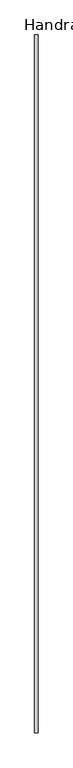
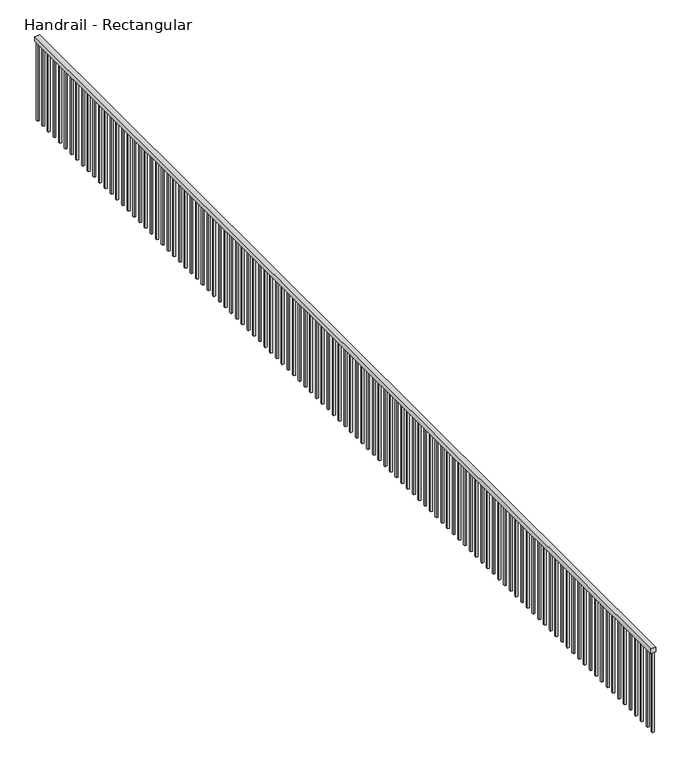
"""IFC4 building model written with IfcOpenShell, lengths in millimetres: railing geometry, Handrail - Rectangular."""

from ifc_helpers import new_model, si_unit, frame, origin, place, context, project, spatial, polyline, outline, extrude, source, transform, mapped, element, save


def handrail_rectangular_9a7907c7(model_context):
    return source(origin(), model_context, "Body", "SweptSolid", [
        extrude(outline(polyline([(15734.5201545, 832.7419962), (15785.3201545, 832.7419962), (15785.3201545, -10140.0580038), (15734.5201545, -10140.0580038), (15734.5201545, 832.7419962)])), frame((0.0, 0.0, 4521.2), z_axis=(0.0, 0.0, 1.0), x_axis=(1.0, 0.0, 0.0)), (0.0, 0.0, 1.0), 50.8),
        extrude(outline(polyline([(15750.3951545, -10028.9330038), (15769.4451545, -10028.9330038), (15769.4451545, -10047.9830038), (15750.3951545, -10047.9830038), (15750.3951545, -10028.9330038)])), frame((0.0, 0.0, 3657.6), z_axis=(0.0, 0.0, 1.0), x_axis=(1.0, 0.0, 0.0)), (0.0, 0.0, 1.0), 863.6),
        extrude(outline(polyline([(15750.3951545, -9927.3330038), (15769.4451545, -9927.3330038), (15769.4451545, -9946.3830038), (15750.3951545, -9946.3830038), (15750.3951545, -9927.3330038)])), frame((0.0, 0.0, 3657.6), z_axis=(0.0, 0.0, 1.0), x_axis=(1.0, 0.0, 0.0)), (0.0, 0.0, 1.0), 863.6),
        extrude(outline(polyline([(15750.3951545, -9825.7330038), (15769.4451545, -9825.7330038), (15769.4451545, -9844.7830038), (15750.3951545, -9844.7830038), (15750.3951545, -9825.7330038)])), frame((0.0, 0.0, 3657.6), z_axis=(0.0, 0.0, 1.0), x_axis=(1.0, 0.0, 0.0)), (0.0, 0.0, 1.0), 863.6),
        extrude(outline(polyline([(15750.3951545, -9724.1330038), (15769.4451545, -9724.1330038), (15769.4451545, -9743.1830038), (15750.3951545, -9743.1830038), (15750.3951545, -9724.1330038)])), frame((0.0, 0.0, 3657.6), z_axis=(0.0, 0.0, 1.0), x_axis=(1.0, 0.0, 0.0)), (0.0, 0.0, 1.0), 863.6),
        extrude(outline(polyline([(15750.3951545, -9622.5330038), (15769.4451545, -9622.5330038), (15769.4451545, -9641.5830038), (15750.3951545, -9641.5830038), (15750.3951545, -9622.5330038)])), frame((0.0, 0.0, 3657.6), z_axis=(0.0, 0.0, 1.0), x_axis=(1.0, 0.0, 0.0)), (0.0, 0.0, 1.0), 863.6),
        extrude(outline(polyline([(15750.3951545, -9520.9330038), (15769.4451545, -9520.9330038), (15769.4451545, -9539.9830038), (15750.3951545, -9539.9830038), (15750.3951545, -9520.9330038)])), frame((0.0, 0.0, 3657.6), z_axis=(0.0, 0.0, 1.0), x_axis=(1.0, 0.0, 0.0)), (0.0, 0.0, 1.0), 863.6),
        extrude(outline(polyline([(15750.3951545, -9419.3330038), (15769.4451545, -9419.3330038), (15769.4451545, -9438.3830038), (15750.3951545, -9438.3830038), (15750.3951545, -9419.3330038)])), frame((0.0, 0.0, 3657.6), z_axis=(0.0, 0.0, 1.0), x_axis=(1.0, 0.0, 0.0)), (0.0, 0.0, 1.0), 863.6),
        extrude(outline(polyline([(15750.3951545, -9317.7330038), (15769.4451545, -9317.7330038), (15769.4451545, -9336.7830038), (15750.3951545, -9336.7830038), (15750.3951545, -9317.7330038)])), frame((0.0, 0.0, 3657.6), z_axis=(0.0, 0.0, 1.0), x_axis=(1.0, 0.0, 0.0)), (0.0, 0.0, 1.0), 863.6),
        extrude(outline(polyline([(15750.3951545, -9216.1330038), (15769.4451545, -9216.1330038), (15769.4451545, -9235.1830038), (15750.3951545, -9235.1830038), (15750.3951545, -9216.1330038)])), frame((0.0, 0.0, 3657.6), z_axis=(0.0, 0.0, 1.0), x_axis=(1.0, 0.0, 0.0)), (0.0, 0.0, 1.0), 863.6),
        extrude(outline(polyline([(15750.3951545, -9114.5330038), (15769.4451545, -9114.5330038), (15769.4451545, -9133.5830038), (15750.3951545, -9133.5830038), (15750.3951545, -9114.5330038)])), frame((0.0, 0.0, 3657.6), z_axis=(0.0, 0.0, 1.0), x_axis=(1.0, 0.0, 0.0)), (0.0, 0.0, 1.0), 863.6),
        extrude(outline(polyline([(15750.3951545, -9012.9330038), (15769.4451545, -9012.9330038), (15769.4451545, -9031.9830038), (15750.3951545, -9031.9830038), (15750.3951545, -9012.9330038)])), frame((0.0, 0.0, 3657.6), z_axis=(0.0, 0.0, 1.0), x_axis=(1.0, 0.0, 0.0)), (0.0, 0.0, 1.0), 863.6),
        extrude(outline(polyline([(15750.3951545, -8911.3330038), (15769.4451545, -8911.3330038), (15769.4451545, -8930.3830038), (15750.3951545, -8930.3830038), (15750.3951545, -8911.3330038)])), frame((0.0, 0.0, 3657.6), z_axis=(0.0, 0.0, 1.0), x_axis=(1.0, 0.0, 0.0)), (0.0, 0.0, 1.0), 863.6),
        extrude(outline(polyline([(15750.3951545, -8809.7330038), (15769.4451545, -8809.7330038), (15769.4451545, -8828.7830038), (15750.3951545, -8828.7830038), (15750.3951545, -8809.7330038)])), frame((0.0, 0.0, 3657.6), z_axis=(0.0, 0.0, 1.0), x_axis=(1.0, 0.0, 0.0)), (0.0, 0.0, 1.0), 863.6),
        extrude(outline(polyline([(15750.3951545, -8708.1330038), (15769.4451545, -8708.1330038), (15769.4451545, -8727.1830038), (15750.3951545, -8727.1830038), (15750.3951545, -8708.1330038)])), frame((0.0, 0.0, 3657.6), z_axis=(0.0, 0.0, 1.0), x_axis=(1.0, 0.0, 0.0)), (0.0, 0.0, 1.0), 863.6),
        extrude(outline(polyline([(15750.3951545, -8606.5330038), (15769.4451545, -8606.5330038), (15769.4451545, -8625.5830038), (15750.3951545, -8625.5830038), (15750.3951545, -8606.5330038)])), frame((0.0, 0.0, 3657.6), z_axis=(0.0, 0.0, 1.0), x_axis=(1.0, 0.0, 0.0)), (0.0, 0.0, 1.0), 863.6),
        extrude(outline(polyline([(15750.3951545, -8504.9330038), (15769.4451545, -8504.9330038), (15769.4451545, -8523.9830038), (15750.3951545, -8523.9830038), (15750.3951545, -8504.9330038)])), frame((0.0, 0.0, 3657.6), z_axis=(0.0, 0.0, 1.0), x_axis=(1.0, 0.0, 0.0)), (0.0, 0.0, 1.0), 863.6),
        extrude(outline(polyline([(15750.3951545, -8403.3330038), (15769.4451545, -8403.3330038), (15769.4451545, -8422.3830038), (15750.3951545, -8422.3830038), (15750.3951545, -8403.3330038)])), frame((0.0, 0.0, 3657.6), z_axis=(0.0, 0.0, 1.0), x_axis=(1.0, 0.0, 0.0)), (0.0, 0.0, 1.0), 863.6),
        extrude(outline(polyline([(15750.3951545, -8301.7330038), (15769.4451545, -8301.7330038), (15769.4451545, -8320.7830038), (15750.3951545, -8320.7830038), (15750.3951545, -8301.7330038)])), frame((0.0, 0.0, 3657.6), z_axis=(0.0, 0.0, 1.0), x_axis=(1.0, 0.0, 0.0)), (0.0, 0.0, 1.0), 863.6),
        extrude(outline(polyline([(15750.3951545, -8200.1330038), (15769.4451545, -8200.1330038), (15769.4451545, -8219.1830038), (15750.3951545, -8219.1830038), (15750.3951545, -8200.1330038)])), frame((0.0, 0.0, 3657.6), z_axis=(0.0, 0.0, 1.0), x_axis=(1.0, 0.0, 0.0)), (0.0, 0.0, 1.0), 863.6),
        extrude(outline(polyline([(15750.3951545, -8098.5330038), (15769.4451545, -8098.5330038), (15769.4451545, -8117.5830038), (15750.3951545, -8117.5830038), (15750.3951545, -8098.5330038)])), frame((0.0, 0.0, 3657.6), z_axis=(0.0, 0.0, 1.0), x_axis=(1.0, 0.0, 0.0)), (0.0, 0.0, 1.0), 863.6),
        extrude(outline(polyline([(15750.3951545, -7996.9330038), (15769.4451545, -7996.9330038), (15769.4451545, -8015.9830038), (15750.3951545, -8015.9830038), (15750.3951545, -7996.9330038)])), frame((0.0, 0.0, 3657.6), z_axis=(0.0, 0.0, 1.0), x_axis=(1.0, 0.0, 0.0)), (0.0, 0.0, 1.0), 863.6),
        extrude(outline(polyline([(15750.3951545, -7895.3330038), (15769.4451545, -7895.3330038), (15769.4451545, -7914.3830038), (15750.3951545, -7914.3830038), (15750.3951545, -7895.3330038)])), frame((0.0, 0.0, 3657.6), z_axis=(0.0, 0.0, 1.0), x_axis=(1.0, 0.0, 0.0)), (0.0, 0.0, 1.0), 863.6),
        extrude(outline(polyline([(15750.3951545, -7793.7330038), (15769.4451545, -7793.7330038), (15769.4451545, -7812.7830038), (15750.3951545, -7812.7830038), (15750.3951545, -7793.7330038)])), frame((0.0, 0.0, 3657.6), z_axis=(0.0, 0.0, 1.0), x_axis=(1.0, 0.0, 0.0)), (0.0, 0.0, 1.0), 863.6),
        extrude(outline(polyline([(15750.3951545, -7692.1330038), (15769.4451545, -7692.1330038), (15769.4451545, -7711.1830038), (15750.3951545, -7711.1830038), (15750.3951545, -7692.1330038)])), frame((0.0, 0.0, 3657.6), z_axis=(0.0, 0.0, 1.0), x_axis=(1.0, 0.0, 0.0)), (0.0, 0.0, 1.0), 863.6),
        extrude(outline(polyline([(15750.3951545, -7590.5330038), (15769.4451545, -7590.5330038), (15769.4451545, -7609.5830038), (15750.3951545, -7609.5830038), (15750.3951545, -7590.5330038)])), frame((0.0, 0.0, 3657.6), z_axis=(0.0, 0.0, 1.0), x_axis=(1.0, 0.0, 0.0)), (0.0, 0.0, 1.0), 863.6),
        extrude(outline(polyline([(15750.3951545, -7488.9330038), (15769.4451545, -7488.9330038), (15769.4451545, -7507.9830038), (15750.3951545, -7507.9830038), (15750.3951545, -7488.9330038)])), frame((0.0, 0.0, 3657.6), z_axis=(0.0, 0.0, 1.0), x_axis=(1.0, 0.0, 0.0)), (0.0, 0.0, 1.0), 863.6),
        extrude(outline(polyline([(15750.3951545, -7387.3330038), (15769.4451545, -7387.3330038), (15769.4451545, -7406.3830038), (15750.3951545, -7406.3830038), (15750.3951545, -7387.3330038)])), frame((0.0, 0.0, 3657.6), z_axis=(0.0, 0.0, 1.0), x_axis=(1.0, 0.0, 0.0)), (0.0, 0.0, 1.0), 863.6),
        extrude(outline(polyline([(15750.3951545, -7285.7330038), (15769.4451545, -7285.7330038), (15769.4451545, -7304.7830038), (15750.3951545, -7304.7830038), (15750.3951545, -7285.7330038)])), frame((0.0, 0.0, 3657.6), z_axis=(0.0, 0.0, 1.0), x_axis=(1.0, 0.0, 0.0)), (0.0, 0.0, 1.0), 863.6),
        extrude(outline(polyline([(15750.3951545, -7184.1330038), (15769.4451545, -7184.1330038), (15769.4451545, -7203.1830038), (15750.3951545, -7203.1830038), (15750.3951545, -7184.1330038)])), frame((0.0, 0.0, 3657.6), z_axis=(0.0, 0.0, 1.0), x_axis=(1.0, 0.0, 0.0)), (0.0, 0.0, 1.0), 863.6),
        extrude(outline(polyline([(15750.3951545, -7082.5330038), (15769.4451545, -7082.5330038), (15769.4451545, -7101.5830038), (15750.3951545, -7101.5830038), (15750.3951545, -7082.5330038)])), frame((0.0, 0.0, 3657.6), z_axis=(0.0, 0.0, 1.0), x_axis=(1.0, 0.0, 0.0)), (0.0, 0.0, 1.0), 863.6),
        extrude(outline(polyline([(15750.3951545, -6980.9330038), (15769.4451545, -6980.9330038), (15769.4451545, -6999.9830038), (15750.3951545, -6999.9830038), (15750.3951545, -6980.9330038)])), frame((0.0, 0.0, 3657.6), z_axis=(0.0, 0.0, 1.0), x_axis=(1.0, 0.0, 0.0)), (0.0, 0.0, 1.0), 863.6),
        extrude(outline(polyline([(15750.3951545, -6879.3330038), (15769.4451545, -6879.3330038), (15769.4451545, -6898.3830038), (15750.3951545, -6898.3830038), (15750.3951545, -6879.3330038)])), frame((0.0, 0.0, 3657.6), z_axis=(0.0, 0.0, 1.0), x_axis=(1.0, 0.0, 0.0)), (0.0, 0.0, 1.0), 863.6),
        extrude(outline(polyline([(15750.3951545, -6777.7330038), (15769.4451545, -6777.7330038), (15769.4451545, -6796.7830038), (15750.3951545, -6796.7830038), (15750.3951545, -6777.7330038)])), frame((0.0, 0.0, 3657.6), z_axis=(0.0, 0.0, 1.0), x_axis=(1.0, 0.0, 0.0)), (0.0, 0.0, 1.0), 863.6),
        extrude(outline(polyline([(15750.3951545, -6676.1330038), (15769.4451545, -6676.1330038), (15769.4451545, -6695.1830038), (15750.3951545, -6695.1830038), (15750.3951545, -6676.1330038)])), frame((0.0, 0.0, 3657.6), z_axis=(0.0, 0.0, 1.0), x_axis=(1.0, 0.0, 0.0)), (0.0, 0.0, 1.0), 863.6),
        extrude(outline(polyline([(15750.3951545, -6574.5330038), (15769.4451545, -6574.5330038), (15769.4451545, -6593.5830038), (15750.3951545, -6593.5830038), (15750.3951545, -6574.5330038)])), frame((0.0, 0.0, 3657.6), z_axis=(0.0, 0.0, 1.0), x_axis=(1.0, 0.0, 0.0)), (0.0, 0.0, 1.0), 863.6),
        extrude(outline(polyline([(15750.3951545, -6472.9330038), (15769.4451545, -6472.9330038), (15769.4451545, -6491.9830038), (15750.3951545, -6491.9830038), (15750.3951545, -6472.9330038)])), frame((0.0, 0.0, 3657.6), z_axis=(0.0, 0.0, 1.0), x_axis=(1.0, 0.0, 0.0)), (0.0, 0.0, 1.0), 863.6),
        extrude(outline(polyline([(15750.3951545, -6371.3330038), (15769.4451545, -6371.3330038), (15769.4451545, -6390.3830038), (15750.3951545, -6390.3830038), (15750.3951545, -6371.3330038)])), frame((0.0, 0.0, 3657.6), z_axis=(0.0, 0.0, 1.0), x_axis=(1.0, 0.0, 0.0)), (0.0, 0.0, 1.0), 863.6),
        extrude(outline(polyline([(15750.3951545, -6269.7330038), (15769.4451545, -6269.7330038), (15769.4451545, -6288.7830038), (15750.3951545, -6288.7830038), (15750.3951545, -6269.7330038)])), frame((0.0, 0.0, 3657.6), z_axis=(0.0, 0.0, 1.0), x_axis=(1.0, 0.0, 0.0)), (0.0, 0.0, 1.0), 863.6),
        extrude(outline(polyline([(15750.3951545, -6168.1330038), (15769.4451545, -6168.1330038), (15769.4451545, -6187.1830038), (15750.3951545, -6187.1830038), (15750.3951545, -6168.1330038)])), frame((0.0, 0.0, 3657.6), z_axis=(0.0, 0.0, 1.0), x_axis=(1.0, 0.0, 0.0)), (0.0, 0.0, 1.0), 863.6),
        extrude(outline(polyline([(15750.3951545, -6066.5330038), (15769.4451545, -6066.5330038), (15769.4451545, -6085.5830038), (15750.3951545, -6085.5830038), (15750.3951545, -6066.5330038)])), frame((0.0, 0.0, 3657.6), z_axis=(0.0, 0.0, 1.0), x_axis=(1.0, 0.0, 0.0)), (0.0, 0.0, 1.0), 863.6),
        extrude(outline(polyline([(15750.3951545, -5964.9330038), (15769.4451545, -5964.9330038), (15769.4451545, -5983.9830038), (15750.3951545, -5983.9830038), (15750.3951545, -5964.9330038)])), frame((0.0, 0.0, 3657.6), z_axis=(0.0, 0.0, 1.0), x_axis=(1.0, 0.0, 0.0)), (0.0, 0.0, 1.0), 863.6),
        extrude(outline(polyline([(15750.3951545, -5863.3330038), (15769.4451545, -5863.3330038), (15769.4451545, -5882.3830038), (15750.3951545, -5882.3830038), (15750.3951545, -5863.3330038)])), frame((0.0, 0.0, 3657.6), z_axis=(0.0, 0.0, 1.0), x_axis=(1.0, 0.0, 0.0)), (0.0, 0.0, 1.0), 863.6),
        extrude(outline(polyline([(15750.3951545, -5761.7330038), (15769.4451545, -5761.7330038), (15769.4451545, -5780.7830038), (15750.3951545, -5780.7830038), (15750.3951545, -5761.7330038)])), frame((0.0, 0.0, 3657.6), z_axis=(0.0, 0.0, 1.0), x_axis=(1.0, 0.0, 0.0)), (0.0, 0.0, 1.0), 863.6),
        extrude(outline(polyline([(15750.3951545, -5660.1330038), (15769.4451545, -5660.1330038), (15769.4451545, -5679.1830038), (15750.3951545, -5679.1830038), (15750.3951545, -5660.1330038)])), frame((0.0, 0.0, 3657.6), z_axis=(0.0, 0.0, 1.0), x_axis=(1.0, 0.0, 0.0)), (0.0, 0.0, 1.0), 863.6),
        extrude(outline(polyline([(15750.3951545, -5558.5330038), (15769.4451545, -5558.5330038), (15769.4451545, -5577.5830038), (15750.3951545, -5577.5830038), (15750.3951545, -5558.5330038)])), frame((0.0, 0.0, 3657.6), z_axis=(0.0, 0.0, 1.0), x_axis=(1.0, 0.0, 0.0)), (0.0, 0.0, 1.0), 863.6),
        extrude(outline(polyline([(15750.3951545, -5456.9330038), (15769.4451545, -5456.9330038), (15769.4451545, -5475.9830038), (15750.3951545, -5475.9830038), (15750.3951545, -5456.9330038)])), frame((0.0, 0.0, 3657.6), z_axis=(0.0, 0.0, 1.0), x_axis=(1.0, 0.0, 0.0)), (0.0, 0.0, 1.0), 863.6),
        extrude(outline(polyline([(15750.3951545, -5355.3330038), (15769.4451545, -5355.3330038), (15769.4451545, -5374.3830038), (15750.3951545, -5374.3830038), (15750.3951545, -5355.3330038)])), frame((0.0, 0.0, 3657.6), z_axis=(0.0, 0.0, 1.0), x_axis=(1.0, 0.0, 0.0)), (0.0, 0.0, 1.0), 863.6),
        extrude(outline(polyline([(15750.3951545, -5253.7330038), (15769.4451545, -5253.7330038), (15769.4451545, -5272.7830038), (15750.3951545, -5272.7830038), (15750.3951545, -5253.7330038)])), frame((0.0, 0.0, 3657.6), z_axis=(0.0, 0.0, 1.0), x_axis=(1.0, 0.0, 0.0)), (0.0, 0.0, 1.0), 863.6),
        extrude(outline(polyline([(15750.3951545, -5152.1330038), (15769.4451545, -5152.1330038), (15769.4451545, -5171.1830038), (15750.3951545, -5171.1830038), (15750.3951545, -5152.1330038)])), frame((0.0, 0.0, 3657.6), z_axis=(0.0, 0.0, 1.0), x_axis=(1.0, 0.0, 0.0)), (0.0, 0.0, 1.0), 863.6),
        extrude(outline(polyline([(15750.3951545, -5050.5330038), (15769.4451545, -5050.5330038), (15769.4451545, -5069.5830038), (15750.3951545, -5069.5830038), (15750.3951545, -5050.5330038)])), frame((0.0, 0.0, 3657.6), z_axis=(0.0, 0.0, 1.0), x_axis=(1.0, 0.0, 0.0)), (0.0, 0.0, 1.0), 863.6),
        extrude(outline(polyline([(15750.3951545, -4948.9330038), (15769.4451545, -4948.9330038), (15769.4451545, -4967.9830038), (15750.3951545, -4967.9830038), (15750.3951545, -4948.9330038)])), frame((0.0, 0.0, 3657.6), z_axis=(0.0, 0.0, 1.0), x_axis=(1.0, 0.0, 0.0)), (0.0, 0.0, 1.0), 863.6),
        extrude(outline(polyline([(15750.3951545, -4847.3330038), (15769.4451545, -4847.3330038), (15769.4451545, -4866.3830038), (15750.3951545, -4866.3830038), (15750.3951545, -4847.3330038)])), frame((0.0, 0.0, 3657.6), z_axis=(0.0, 0.0, 1.0), x_axis=(1.0, 0.0, 0.0)), (0.0, 0.0, 1.0), 863.6),
        extrude(outline(polyline([(15750.3951545, -4745.7330038), (15769.4451545, -4745.7330038), (15769.4451545, -4764.7830038), (15750.3951545, -4764.7830038), (15750.3951545, -4745.7330038)])), frame((0.0, 0.0, 3657.6), z_axis=(0.0, 0.0, 1.0), x_axis=(1.0, 0.0, 0.0)), (0.0, 0.0, 1.0), 863.6),
        extrude(outline(polyline([(15750.3951545, -4644.1330038), (15769.4451545, -4644.1330038), (15769.4451545, -4663.1830038), (15750.3951545, -4663.1830038), (15750.3951545, -4644.1330038)])), frame((0.0, 0.0, 3657.6), z_axis=(0.0, 0.0, 1.0), x_axis=(1.0, 0.0, 0.0)), (0.0, 0.0, 1.0), 863.6),
        extrude(outline(polyline([(15750.3951545, -4542.5330038), (15769.4451545, -4542.5330038), (15769.4451545, -4561.5830038), (15750.3951545, -4561.5830038), (15750.3951545, -4542.5330038)])), frame((0.0, 0.0, 3657.6), z_axis=(0.0, 0.0, 1.0), x_axis=(1.0, 0.0, 0.0)), (0.0, 0.0, 1.0), 863.6),
        extrude(outline(polyline([(15750.3951545, -4440.9330038), (15769.4451545, -4440.9330038), (15769.4451545, -4459.9830038), (15750.3951545, -4459.9830038), (15750.3951545, -4440.9330038)])), frame((0.0, 0.0, 3657.6), z_axis=(0.0, 0.0, 1.0), x_axis=(1.0, 0.0, 0.0)), (0.0, 0.0, 1.0), 863.6),
        extrude(outline(polyline([(15750.3951545, -4339.3330038), (15769.4451545, -4339.3330038), (15769.4451545, -4358.3830038), (15750.3951545, -4358.3830038), (15750.3951545, -4339.3330038)])), frame((0.0, 0.0, 3657.6), z_axis=(0.0, 0.0, 1.0), x_axis=(1.0, 0.0, 0.0)), (0.0, 0.0, 1.0), 863.6),
        extrude(outline(polyline([(15750.3951545, -4237.7330038), (15769.4451545, -4237.7330038), (15769.4451545, -4256.7830038), (15750.3951545, -4256.7830038), (15750.3951545, -4237.7330038)])), frame((0.0, 0.0, 3657.6), z_axis=(0.0, 0.0, 1.0), x_axis=(1.0, 0.0, 0.0)), (0.0, 0.0, 1.0), 863.6),
        extrude(outline(polyline([(15750.3951545, -4136.1330038), (15769.4451545, -4136.1330038), (15769.4451545, -4155.1830038), (15750.3951545, -4155.1830038), (15750.3951545, -4136.1330038)])), frame((0.0, 0.0, 3657.6), z_axis=(0.0, 0.0, 1.0), x_axis=(1.0, 0.0, 0.0)), (0.0, 0.0, 1.0), 863.6),
        extrude(outline(polyline([(15750.3951545, -4034.5330038), (15769.4451545, -4034.5330038), (15769.4451545, -4053.5830038), (15750.3951545, -4053.5830038), (15750.3951545, -4034.5330038)])), frame((0.0, 0.0, 3657.6), z_axis=(0.0, 0.0, 1.0), x_axis=(1.0, 0.0, 0.0)), (0.0, 0.0, 1.0), 863.6),
        extrude(outline(polyline([(15750.3951545, -3932.9330038), (15769.4451545, -3932.9330038), (15769.4451545, -3951.9830038), (15750.3951545, -3951.9830038), (15750.3951545, -3932.9330038)])), frame((0.0, 0.0, 3657.6), z_axis=(0.0, 0.0, 1.0), x_axis=(1.0, 0.0, 0.0)), (0.0, 0.0, 1.0), 863.6),
        extrude(outline(polyline([(15750.3951545, -3831.3330038), (15769.4451545, -3831.3330038), (15769.4451545, -3850.3830038), (15750.3951545, -3850.3830038), (15750.3951545, -3831.3330038)])), frame((0.0, 0.0, 3657.6), z_axis=(0.0, 0.0, 1.0), x_axis=(1.0, 0.0, 0.0)), (0.0, 0.0, 1.0), 863.6),
        extrude(outline(polyline([(15750.3951545, -3729.7330038), (15769.4451545, -3729.7330038), (15769.4451545, -3748.7830038), (15750.3951545, -3748.7830038), (15750.3951545, -3729.7330038)])), frame((0.0, 0.0, 3657.6), z_axis=(0.0, 0.0, 1.0), x_axis=(1.0, 0.0, 0.0)), (0.0, 0.0, 1.0), 863.6),
        extrude(outline(polyline([(15750.3951545, -3628.1330038), (15769.4451545, -3628.1330038), (15769.4451545, -3647.1830038), (15750.3951545, -3647.1830038), (15750.3951545, -3628.1330038)])), frame((0.0, 0.0, 3657.6), z_axis=(0.0, 0.0, 1.0), x_axis=(1.0, 0.0, 0.0)), (0.0, 0.0, 1.0), 863.6),
        extrude(outline(polyline([(15750.3951545, -3526.5330038), (15769.4451545, -3526.5330038), (15769.4451545, -3545.5830038), (15750.3951545, -3545.5830038), (15750.3951545, -3526.5330038)])), frame((0.0, 0.0, 3657.6), z_axis=(0.0, 0.0, 1.0), x_axis=(1.0, 0.0, 0.0)), (0.0, 0.0, 1.0), 863.6),
        extrude(outline(polyline([(15750.3951545, -3424.9330038), (15769.4451545, -3424.9330038), (15769.4451545, -3443.9830038), (15750.3951545, -3443.9830038), (15750.3951545, -3424.9330038)])), frame((0.0, 0.0, 3657.6), z_axis=(0.0, 0.0, 1.0), x_axis=(1.0, 0.0, 0.0)), (0.0, 0.0, 1.0), 863.6),
        extrude(outline(polyline([(15750.3951545, -3323.3330038), (15769.4451545, -3323.3330038), (15769.4451545, -3342.3830038), (15750.3951545, -3342.3830038), (15750.3951545, -3323.3330038)])), frame((0.0, 0.0, 3657.6), z_axis=(0.0, 0.0, 1.0), x_axis=(1.0, 0.0, 0.0)), (0.0, 0.0, 1.0), 863.6),
        extrude(outline(polyline([(15750.3951545, -3221.7330038), (15769.4451545, -3221.7330038), (15769.4451545, -3240.7830038), (15750.3951545, -3240.7830038), (15750.3951545, -3221.7330038)])), frame((0.0, 0.0, 3657.6), z_axis=(0.0, 0.0, 1.0), x_axis=(1.0, 0.0, 0.0)), (0.0, 0.0, 1.0), 863.6),
        extrude(outline(polyline([(15750.3951545, -3120.1330038), (15769.4451545, -3120.1330038), (15769.4451545, -3139.1830038), (15750.3951545, -3139.1830038), (15750.3951545, -3120.1330038)])), frame((0.0, 0.0, 3657.6), z_axis=(0.0, 0.0, 1.0), x_axis=(1.0, 0.0, 0.0)), (0.0, 0.0, 1.0), 863.6),
        extrude(outline(polyline([(15750.3951545, -3018.5330038), (15769.4451545, -3018.5330038), (15769.4451545, -3037.5830038), (15750.3951545, -3037.5830038), (15750.3951545, -3018.5330038)])), frame((0.0, 0.0, 3657.6), z_axis=(0.0, 0.0, 1.0), x_axis=(1.0, 0.0, 0.0)), (0.0, 0.0, 1.0), 863.6),
        extrude(outline(polyline([(15750.3951545, -2916.9330038), (15769.4451545, -2916.9330038), (15769.4451545, -2935.9830038), (15750.3951545, -2935.9830038), (15750.3951545, -2916.9330038)])), frame((0.0, 0.0, 3657.6), z_axis=(0.0, 0.0, 1.0), x_axis=(1.0, 0.0, 0.0)), (0.0, 0.0, 1.0), 863.6),
        extrude(outline(polyline([(15750.3951545, -2815.3330038), (15769.4451545, -2815.3330038), (15769.4451545, -2834.3830038), (15750.3951545, -2834.3830038), (15750.3951545, -2815.3330038)])), frame((0.0, 0.0, 3657.6), z_axis=(0.0, 0.0, 1.0), x_axis=(1.0, 0.0, 0.0)), (0.0, 0.0, 1.0), 863.6),
        extrude(outline(polyline([(15750.3951545, -2713.7330038), (15769.4451545, -2713.7330038), (15769.4451545, -2732.7830038), (15750.3951545, -2732.7830038), (15750.3951545, -2713.7330038)])), frame((0.0, 0.0, 3657.6), z_axis=(0.0, 0.0, 1.0), x_axis=(1.0, 0.0, 0.0)), (0.0, 0.0, 1.0), 863.6),
        extrude(outline(polyline([(15750.3951545, -2612.1330038), (15769.4451545, -2612.1330038), (15769.4451545, -2631.1830038), (15750.3951545, -2631.1830038), (15750.3951545, -2612.1330038)])), frame((0.0, 0.0, 3657.6), z_axis=(0.0, 0.0, 1.0), x_axis=(1.0, 0.0, 0.0)), (0.0, 0.0, 1.0), 863.6),
        extrude(outline(polyline([(15750.3951545, -2510.5330038), (15769.4451545, -2510.5330038), (15769.4451545, -2529.5830038), (15750.3951545, -2529.5830038), (15750.3951545, -2510.5330038)])), frame((0.0, 0.0, 3657.6), z_axis=(0.0, 0.0, 1.0), x_axis=(1.0, 0.0, 0.0)), (0.0, 0.0, 1.0), 863.6),
        extrude(outline(polyline([(15750.3951545, -2408.9330038), (15769.4451545, -2408.9330038), (15769.4451545, -2427.9830038), (15750.3951545, -2427.9830038), (15750.3951545, -2408.9330038)])), frame((0.0, 0.0, 3657.6), z_axis=(0.0, 0.0, 1.0), x_axis=(1.0, 0.0, 0.0)), (0.0, 0.0, 1.0), 863.6),
        extrude(outline(polyline([(15750.3951545, -2307.3330038), (15769.4451545, -2307.3330038), (15769.4451545, -2326.3830038), (15750.3951545, -2326.3830038), (15750.3951545, -2307.3330038)])), frame((0.0, 0.0, 3657.6), z_axis=(0.0, 0.0, 1.0), x_axis=(1.0, 0.0, 0.0)), (0.0, 0.0, 1.0), 863.6),
        extrude(outline(polyline([(15750.3951545, -2205.7330038), (15769.4451545, -2205.7330038), (15769.4451545, -2224.7830038), (15750.3951545, -2224.7830038), (15750.3951545, -2205.7330038)])), frame((0.0, 0.0, 3657.6), z_axis=(0.0, 0.0, 1.0), x_axis=(1.0, 0.0, 0.0)), (0.0, 0.0, 1.0), 863.6),
        extrude(outline(polyline([(15750.3951545, -2104.1330038), (15769.4451545, -2104.1330038), (15769.4451545, -2123.1830038), (15750.3951545, -2123.1830038), (15750.3951545, -2104.1330038)])), frame((0.0, 0.0, 3657.6), z_axis=(0.0, 0.0, 1.0), x_axis=(1.0, 0.0, 0.0)), (0.0, 0.0, 1.0), 863.6),
        extrude(outline(polyline([(15750.3951545, -2002.5330038), (15769.4451545, -2002.5330038), (15769.4451545, -2021.5830038), (15750.3951545, -2021.5830038), (15750.3951545, -2002.5330038)])), frame((0.0, 0.0, 3657.6), z_axis=(0.0, 0.0, 1.0), x_axis=(1.0, 0.0, 0.0)), (0.0, 0.0, 1.0), 863.6),
        extrude(outline(polyline([(15750.3951545, -1900.9330038), (15769.4451545, -1900.9330038), (15769.4451545, -1919.9830038), (15750.3951545, -1919.9830038), (15750.3951545, -1900.9330038)])), frame((0.0, 0.0, 3657.6), z_axis=(0.0, 0.0, 1.0), x_axis=(1.0, 0.0, 0.0)), (0.0, 0.0, 1.0), 863.6),
        extrude(outline(polyline([(15750.3951545, -1799.3330038), (15769.4451545, -1799.3330038), (15769.4451545, -1818.3830038), (15750.3951545, -1818.3830038), (15750.3951545, -1799.3330038)])), frame((0.0, 0.0, 3657.6), z_axis=(0.0, 0.0, 1.0), x_axis=(1.0, 0.0, 0.0)), (0.0, 0.0, 1.0), 863.6),
        extrude(outline(polyline([(15750.3951545, -1697.7330038), (15769.4451545, -1697.7330038), (15769.4451545, -1716.7830038), (15750.3951545, -1716.7830038), (15750.3951545, -1697.7330038)])), frame((0.0, 0.0, 3657.6), z_axis=(0.0, 0.0, 1.0), x_axis=(1.0, 0.0, 0.0)), (0.0, 0.0, 1.0), 863.6),
        extrude(outline(polyline([(15750.3951545, -1596.1330038), (15769.4451545, -1596.1330038), (15769.4451545, -1615.1830038), (15750.3951545, -1615.1830038), (15750.3951545, -1596.1330038)])), frame((0.0, 0.0, 3657.6), z_axis=(0.0, 0.0, 1.0), x_axis=(1.0, 0.0, 0.0)), (0.0, 0.0, 1.0), 863.6),
        extrude(outline(polyline([(15750.3951545, -1494.5330038), (15769.4451545, -1494.5330038), (15769.4451545, -1513.5830038), (15750.3951545, -1513.5830038), (15750.3951545, -1494.5330038)])), frame((0.0, 0.0, 3657.6), z_axis=(0.0, 0.0, 1.0), x_axis=(1.0, 0.0, 0.0)), (0.0, 0.0, 1.0), 863.6),
        extrude(outline(polyline([(15750.3951545, -1392.9330038), (15769.4451545, -1392.9330038), (15769.4451545, -1411.9830038), (15750.3951545, -1411.9830038), (15750.3951545, -1392.9330038)])), frame((0.0, 0.0, 3657.6), z_axis=(0.0, 0.0, 1.0), x_axis=(1.0, 0.0, 0.0)), (0.0, 0.0, 1.0), 863.6),
        extrude(outline(polyline([(15750.3951545, -1291.3330038), (15769.4451545, -1291.3330038), (15769.4451545, -1310.3830038), (15750.3951545, -1310.3830038), (15750.3951545, -1291.3330038)])), frame((0.0, 0.0, 3657.6), z_axis=(0.0, 0.0, 1.0), x_axis=(1.0, 0.0, 0.0)), (0.0, 0.0, 1.0), 863.6),
        extrude(outline(polyline([(15750.3951545, -1189.7330038), (15769.4451545, -1189.7330038), (15769.4451545, -1208.7830038), (15750.3951545, -1208.7830038), (15750.3951545, -1189.7330038)])), frame((0.0, 0.0, 3657.6), z_axis=(0.0, 0.0, 1.0), x_axis=(1.0, 0.0, 0.0)), (0.0, 0.0, 1.0), 863.6),
        extrude(outline(polyline([(15750.3951545, -1088.1330038), (15769.4451545, -1088.1330038), (15769.4451545, -1107.1830038), (15750.3951545, -1107.1830038), (15750.3951545, -1088.1330038)])), frame((0.0, 0.0, 3657.6), z_axis=(0.0, 0.0, 1.0), x_axis=(1.0, 0.0, 0.0)), (0.0, 0.0, 1.0), 863.6),
        extrude(outline(polyline([(15750.3951545, -986.5330038), (15769.4451545, -986.5330038), (15769.4451545, -1005.5830038), (15750.3951545, -1005.5830038), (15750.3951545, -986.5330038)])), frame((0.0, 0.0, 3657.6), z_axis=(0.0, 0.0, 1.0), x_axis=(1.0, 0.0, 0.0)), (0.0, 0.0, 1.0), 863.6),
        extrude(outline(polyline([(15750.3951545, -884.9330038), (15769.4451545, -884.9330038), (15769.4451545, -903.9830038), (15750.3951545, -903.9830038), (15750.3951545, -884.9330038)])), frame((0.0, 0.0, 3657.6), z_axis=(0.0, 0.0, 1.0), x_axis=(1.0, 0.0, 0.0)), (0.0, 0.0, 1.0), 863.6),
        extrude(outline(polyline([(15750.3951545, -783.3330038), (15769.4451545, -783.3330038), (15769.4451545, -802.3830038), (15750.3951545, -802.3830038), (15750.3951545, -783.3330038)])), frame((0.0, 0.0, 3657.6), z_axis=(0.0, 0.0, 1.0), x_axis=(1.0, 0.0, 0.0)), (0.0, 0.0, 1.0), 863.6),
        extrude(outline(polyline([(15750.3951545, -681.7330038), (15769.4451545, -681.7330038), (15769.4451545, -700.7830038), (15750.3951545, -700.7830038), (15750.3951545, -681.7330038)])), frame((0.0, 0.0, 3657.6), z_axis=(0.0, 0.0, 1.0), x_axis=(1.0, 0.0, 0.0)), (0.0, 0.0, 1.0), 863.6),
        extrude(outline(polyline([(15750.3951545, -580.1330038), (15769.4451545, -580.1330038), (15769.4451545, -599.1830038), (15750.3951545, -599.1830038), (15750.3951545, -580.1330038)])), frame((0.0, 0.0, 3657.6), z_axis=(0.0, 0.0, 1.0), x_axis=(1.0, 0.0, 0.0)), (0.0, 0.0, 1.0), 863.6),
        extrude(outline(polyline([(15750.3951545, -478.5330038), (15769.4451545, -478.5330038), (15769.4451545, -497.5830038), (15750.3951545, -497.5830038), (15750.3951545, -478.5330038)])), frame((0.0, 0.0, 3657.6), z_axis=(0.0, 0.0, 1.0), x_axis=(1.0, 0.0, 0.0)), (0.0, 0.0, 1.0), 863.6),
        extrude(outline(polyline([(15750.3951545, -376.9330038), (15769.4451545, -376.9330038), (15769.4451545, -395.9830038), (15750.3951545, -395.9830038), (15750.3951545, -376.9330038)])), frame((0.0, 0.0, 3657.6), z_axis=(0.0, 0.0, 1.0), x_axis=(1.0, 0.0, 0.0)), (0.0, 0.0, 1.0), 863.6),
        extrude(outline(polyline([(15750.3951545, -275.3330038), (15769.4451545, -275.3330038), (15769.4451545, -294.3830038), (15750.3951545, -294.3830038), (15750.3951545, -275.3330038)])), frame((0.0, 0.0, 3657.6), z_axis=(0.0, 0.0, 1.0), x_axis=(1.0, 0.0, 0.0)), (0.0, 0.0, 1.0), 863.6),
        extrude(outline(polyline([(15750.3951545, -173.7330038), (15769.4451545, -173.7330038), (15769.4451545, -192.7830038), (15750.3951545, -192.7830038), (15750.3951545, -173.7330038)])), frame((0.0, 0.0, 3657.6), z_axis=(0.0, 0.0, 1.0), x_axis=(1.0, 0.0, 0.0)), (0.0, 0.0, 1.0), 863.6),
        extrude(outline(polyline([(15750.3951545, -72.1330038), (15769.4451545, -72.1330038), (15769.4451545, -91.1830038), (15750.3951545, -91.1830038), (15750.3951545, -72.1330038)])), frame((0.0, 0.0, 3657.6), z_axis=(0.0, 0.0, 1.0), x_axis=(1.0, 0.0, 0.0)), (0.0, 0.0, 1.0), 863.6),
        extrude(outline(polyline([(15750.3951545, 29.4669962), (15769.4451545, 29.4669962), (15769.4451545, 10.4169962), (15750.3951545, 10.4169962), (15750.3951545, 29.4669962)])), frame((0.0, 0.0, 3657.6), z_axis=(0.0, 0.0, 1.0), x_axis=(1.0, 0.0, 0.0)), (0.0, 0.0, 1.0), 863.6),
        extrude(outline(polyline([(15750.3951545, 131.0669962), (15769.4451545, 131.0669962), (15769.4451545, 112.0169962), (15750.3951545, 112.0169962), (15750.3951545, 131.0669962)])), frame((0.0, 0.0, 3657.6), z_axis=(0.0, 0.0, 1.0), x_axis=(1.0, 0.0, 0.0)), (0.0, 0.0, 1.0), 863.6),
        extrude(outline(polyline([(15750.3951545, 232.6669962), (15769.4451545, 232.6669962), (15769.4451545, 213.6169962), (15750.3951545, 213.6169962), (15750.3951545, 232.6669962)])), frame((0.0, 0.0, 3657.6), z_axis=(0.0, 0.0, 1.0), x_axis=(1.0, 0.0, 0.0)), (0.0, 0.0, 1.0), 863.6),
        extrude(outline(polyline([(15750.3951545, 334.2669962), (15769.4451545, 334.2669962), (15769.4451545, 315.2169962), (15750.3951545, 315.2169962), (15750.3951545, 334.2669962)])), frame((0.0, 0.0, 3657.6), z_axis=(0.0, 0.0, 1.0), x_axis=(1.0, 0.0, 0.0)), (0.0, 0.0, 1.0), 863.6),
        extrude(outline(polyline([(15750.3951545, 435.8669962), (15769.4451545, 435.8669962), (15769.4451545, 416.8169962), (15750.3951545, 416.8169962), (15750.3951545, 435.8669962)])), frame((0.0, 0.0, 3657.6), z_axis=(0.0, 0.0, 1.0), x_axis=(1.0, 0.0, 0.0)), (0.0, 0.0, 1.0), 863.6),
        extrude(outline(polyline([(15750.3951545, 537.4669962), (15769.4451545, 537.4669962), (15769.4451545, 518.4169962), (15750.3951545, 518.4169962), (15750.3951545, 537.4669962)])), frame((0.0, 0.0, 3657.6), z_axis=(0.0, 0.0, 1.0), x_axis=(1.0, 0.0, 0.0)), (0.0, 0.0, 1.0), 863.6),
        extrude(outline(polyline([(15750.3951545, 639.0669962), (15769.4451545, 639.0669962), (15769.4451545, 620.0169962), (15750.3951545, 620.0169962), (15750.3951545, 639.0669962)])), frame((0.0, 0.0, 3657.6), z_axis=(0.0, 0.0, 1.0), x_axis=(1.0, 0.0, 0.0)), (0.0, 0.0, 1.0), 863.6),
        extrude(outline(polyline([(15750.3951545, 740.6669962), (15769.4451545, 740.6669962), (15769.4451545, 721.6169962), (15750.3951545, 721.6169962), (15750.3951545, 740.6669962)])), frame((0.0, 0.0, 3657.6), z_axis=(0.0, 0.0, 1.0), x_axis=(1.0, 0.0, 0.0)), (0.0, 0.0, 1.0), 863.6),
        extrude(outline(polyline([(15750.3951545, -10121.0080038), (15769.4451545, -10121.0080038), (15769.4451545, -10140.0580038), (15750.3951545, -10140.0580038), (15750.3951545, -10121.0080038)])), frame((0.0, 0.0, 3657.6), z_axis=(0.0, 0.0, 1.0), x_axis=(1.0, 0.0, 0.0)), (0.0, 0.0, 1.0), 863.6),
        extrude(outline(polyline([(15750.3951545, 832.7419962), (15769.4451545, 832.7419962), (15769.4451545, 813.6919962), (15750.3951545, 813.6919962), (15750.3951545, 832.7419962)])), frame((0.0, 0.0, 3657.6), z_axis=(0.0, 0.0, 1.0), x_axis=(1.0, 0.0, 0.0)), (0.0, 0.0, 1.0), 863.6),
    ])


if __name__ == "__main__":
    model = new_model("IFC4")
    model_context = context("Model", 3, world=origin())
    ifc_project = project(units=[si_unit("LENGTHUNIT", "METRE", prefix="MILLI")], contexts=[model_context])
    site = spatial("IfcSite", under=ifc_project)
    building = spatial("IfcBuilding", under=site)
    placement = place(None, origin())
    handrail_rectangular_shape = handrail_rectangular_9a7907c7(model_context)
    element("IfcRailing", 1, ObjectType="Handrail - Rectangular", at=placement, inside=building, context=model_context, shape_type="MappedRepresentation", body=[
        mapped(handrail_rectangular_shape, transform((0.0, 0.0, 0.0), x_axis=(1.0, 0.0, 0.0), y_axis=(0.0, 1.0, 0.0), z_axis=(0.0, 0.0, 1.0))),
    ])
    save(model, "model.ifc")
